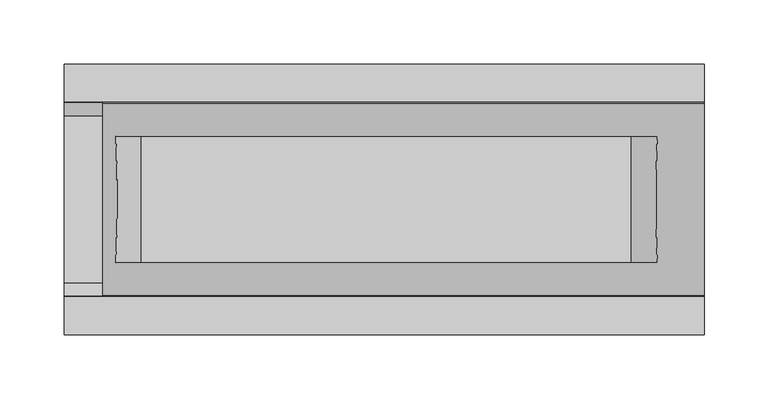
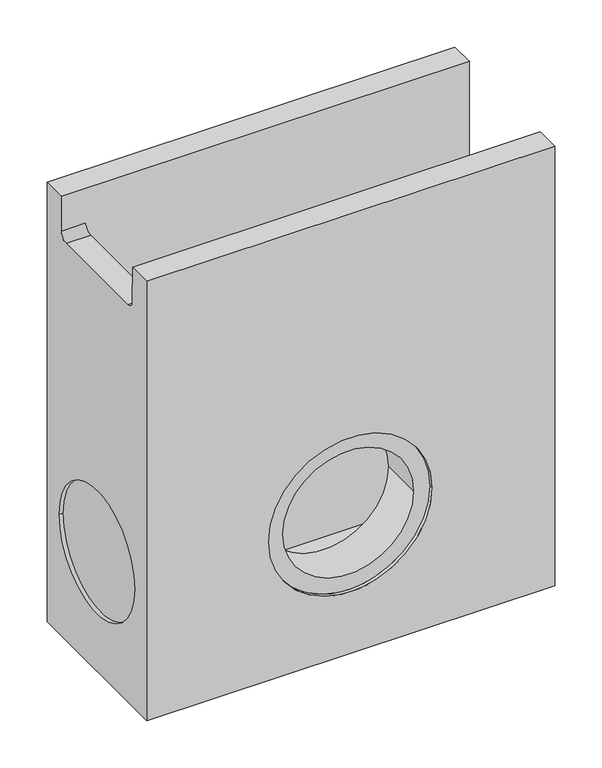
"""IFC4 building model written with IfcOpenShell, lengths in millimetres: proxy geometry."""

from ifc_helpers import new_model, si_unit, frame, origin, place, context, project, spatial, polyline, circle_curve, ellipse_curve, source, transform, mapped, element, save
from ifc_brep_helpers import plane_surface, revolved_surface, advanced_brep


def generic_models_bde0bd27(model_context):
    return source(origin(), model_context, "Body", "AdvancedBrep", [
        advanced_brep(
        [(500.0, 105.7105057, -570.0), (500.0, 105.7105057, 0.0), (500.0, 75.7105057, 0.0), (500.0, 75.0, -140.0), (500.0, -74.9961367, -140.7612365), (500.0, -75.7105057, 0.0), (500.0, -105.8125078, 0.0), (500.0, -105.8125078, -570.0), (0.0, 105.7105057, -570.0), (0.0, -105.8125078, -570.0), (0.0, -105.8125078, 0.0), (0.0, -75.7105057, 0.0), (0.0, -75.4816138, -45.1014982), (0.0, -65.4821289, -55.0), (0.0, 65.4821289, -55.0), (0.0, 75.4816138, -45.1014982), (0.0, 75.7105057, 0.0), (0.0, 105.7105057, 0.0), (0.0, -80.0, -415.0), (0.0, 80.0, -415.0), (349.5, -105.8125078, -390.0), (149.5, -105.8125078, -390.0), (5.0, -80.0, -415.0), (5.0, 80.0, -415.0), (443.0, 49.3918172, -532.9551842), (60.0, 49.3918172, -532.9551842), (60.0, -49.3918172, -532.9551842), (443.0, -49.3918172, -532.9551842), (463.6343305, 49.3918172, -196.4397767), (40.4329624, 49.3918172, -196.4397767), (40.4329624, -49.3918172, -196.4397767), (463.6343305, -49.3918172, -196.4397767), (169.5, -49.3918172, -390.0), (329.5, -49.3918172, -390.0), (169.5, -101.5351946, -390.0), (329.5, -101.5351946, -390.0), (149.5, -101.5351946, -390.0), (349.5, -101.5351946, -390.0), (30.0, 75.4816138, -45.1014982), (30.0, 75.0, -140.0), (30.0, -74.9961367, -140.7612365), (30.0, -75.4816138, -45.1014982), (30.0, -65.4821289, -55.0), (30.0, 65.4821289, -55.0)],
        [
            (0, 1),
            (1, 2),
            (2, 3),
            (3, 4, circle_curve(frame((500.0, 0.0, -140.0), z_axis=(-1.0, 0.0, 0.0), x_axis=(0.0, 1.0, 0.0)), 75.0)),
            (4, 5),
            (5, 6),
            (6, 7),
            (7, 0),
            (8, 9),
            (9, 10),
            (10, 11),
            (11, 12),
            (12, 13, circle_curve(frame((0.0, -65.4821289, -45.0), z_axis=(1.0, 0.0, 0.0), x_axis=(0.0, 1.0, 0.0)), 10.0)),
            (13, 14),
            (14, 15, circle_curve(frame((0.0, 65.4821289, -45.0), z_axis=(1.0, 0.0, 0.0), x_axis=(0.0, 1.0, 0.0)), 10.0)),
            (15, 16),
            (16, 17),
            (17, 8),
            (18, 19, circle_curve(frame((0.0, 0.0, -415.0), z_axis=(1.0, 0.0, 0.0), x_axis=(0.0, 1.0, 0.0)), 80.0)),
            (19, 18, circle_curve(frame((0.0, 0.0, -415.0), z_axis=(1.0, 0.0, 0.0), x_axis=(0.0, 1.0, 0.0)), 80.0)),
            (0, 8),
            (17, 1),
            (6, 10),
            (9, 7),
            (20, 21, circle_curve(frame((249.5, -105.8125078, -390.0), z_axis=(0.0, 1.0, 0.0), x_axis=(1.0, 0.0, 0.0)), 100.0)),
            (21, 20, circle_curve(frame((249.5, -105.8125078, -390.0), z_axis=(0.0, 1.0, 0.0), x_axis=(1.0, 0.0, 0.0)), 100.0)),
            (22, 23, circle_curve(frame((5.0, 0.0, -415.0), z_axis=(-1.0, 0.0, 0.0), x_axis=(0.0, 1.0, 0.0)), 80.0)),
            (23, 22, circle_curve(frame((5.0, 0.0, -415.0), z_axis=(-1.0, 0.0, 0.0), x_axis=(0.0, 1.0, 0.0)), 80.0)),
            (23, 19),
            (18, 22),
            (24, 25),
            (25, 26),
            (26, 27),
            (27, 24),
            (24, 28),
            (28, 29),
            (29, 25),
            (29, 30, ellipse_curve(frame((37.151213, 0.0, -140.0), z_axis=(-0.9983137936950895, 0.0, -0.058047991508046806), x_axis=(-0.058047991508044836, 0.0, 0.9983137936950897)), 75.1266791, 75.0)),
            (30, 26),
            (30, 31),
            (31, 27),
            (32, 33, circle_curve(frame((249.5, -49.3918172, -390.0), z_axis=(0.0, -1.0, 0.0), x_axis=(1.0, 0.0, 0.0)), 80.0)),
            (33, 32, circle_curve(frame((249.5, -49.3918172, -390.0), z_axis=(0.0, -1.0, 0.0), x_axis=(1.0, 0.0, 0.0)), 80.0)),
            (31, 28, ellipse_curve(frame((467.0950844, 0.0, -140.0), z_axis=(0.9981253581558883, 0.0, -0.061202691167788904), x_axis=(-0.061202691167787426, 0.0, -0.9981253581558883)), 75.1408622, 75.0)),
            (32, 34),
            (34, 35, circle_curve(frame((249.5, -101.5351946, -390.0), z_axis=(0.0, -1.0, 0.0), x_axis=(1.0, 0.0, 0.0)), 80.0)),
            (35, 33),
            (35, 34, circle_curve(frame((249.5, -101.5351946, -390.0), z_axis=(0.0, -1.0, 0.0), x_axis=(1.0, 0.0, 0.0)), 80.0)),
            (36, 37, circle_curve(frame((249.5, -101.5351946, -390.0), z_axis=(0.0, -1.0, 0.0), x_axis=(1.0, 0.0, 0.0)), 100.0)),
            (37, 36, circle_curve(frame((249.5, -101.5351946, -390.0), z_axis=(0.0, -1.0, 0.0), x_axis=(1.0, 0.0, 0.0)), 100.0)),
            (36, 21),
            (20, 37),
            (16, 2),
            (15, 38),
            (38, 39),
            (39, 3),
            (4, 40),
            (40, 41),
            (41, 12),
            (11, 5),
            (39, 40, circle_curve(frame((30.0, 0.0, -140.0), z_axis=(-1.0, 0.0, 0.0), x_axis=(0.0, 1.0, 0.0)), 75.0)),
            (42, 41, circle_curve(frame((30.0, -65.4821289, -45.0), z_axis=(-1.0, 0.0, 0.0), x_axis=(0.0, 1.0, 0.0)), 10.0)),
            (38, 43, circle_curve(frame((30.0, 65.4821289, -45.0), z_axis=(-1.0, 0.0, 0.0), x_axis=(0.0, 1.0, 0.0)), 10.0)),
            (43, 42),
            (42, 13),
            (14, 43),
        ],
        [
            plane_surface(frame((500.0, 105.7105057, -31.1821489), z_axis=(1.0, 0.0, 0.0), x_axis=(0.0, 0.0, 1.0))),
            plane_surface(frame((0.0, 105.7105057, -31.1821489), z_axis=(-1.0, 0.0, 0.0), x_axis=(0.0, 0.0, -1.0))),
            plane_surface(frame((500.0, 105.7105057, -570.0), z_axis=(0.0, 1.0, 0.0), x_axis=(-1.0, 0.0, 0.0))),
            plane_surface(frame((500.0, -105.8125078, 0.0), z_axis=(0.0, -1.0, 0.0), x_axis=(-1.0, 0.0, 0.0))),
            plane_surface(frame((5.0, 80.0, -415.0), z_axis=(-1.0, 0.0, 0.0), x_axis=(0.0, 0.0, 1.0))),
            revolved_surface(polyline([(5.0, 80.0, -415.0), (0.0, 80.0, -415.0)]), (0.0, 0.0, -415.0), (1.0, 0.0, 0.0)),
            plane_surface(frame((251.5, 0.0, -532.9551842), z_axis=(0.0, 0.0, 1.0), x_axis=(-1.0, 0.0, 0.0))),
            plane_surface(frame((252.25, 49.3918172, -60.0080827), z_axis=(0.0, -1.0, 0.0), x_axis=(1.0, 0.0, 0.0))),
            plane_surface(frame((32.5, 0.0, -60.0080827), z_axis=(0.9983137936950895, 0.0, 0.058047991508046806), x_axis=(0.0, 1.0, 0.0))),
            plane_surface(frame((252.25, -49.3918172, -60.0080827), z_axis=(0.0, 1.0, 0.0), x_axis=(-1.0, 0.0, 0.0))),
            plane_surface(frame((472.0, 0.0, -60.0080827), z_axis=(-0.9981253581558883, 0.0, 0.061202691167788904), x_axis=(0.0, -1.0, 0.0))),
            revolved_surface(polyline([(329.5, -101.5351946, -390.0), (329.5, -49.3918172, -390.0)]), (249.5, 0.0, -390.0), (0.0, -1.0, 0.0)),
            plane_surface(frame((349.5, -101.5351946, -390.0), z_axis=(0.0, -1.0, 0.0), x_axis=(0.0, 0.0, -1.0))),
            revolved_surface(polyline([(349.5, -105.8125078, -390.0), (349.5, -101.5351946, -390.0)]), (249.5, -101.5351946, -390.0), (0.0, -1.0, 0.0)),
            plane_surface(frame((500.0, 105.7105057, 0.0), z_axis=(0.0, 0.0, 1.0), x_axis=(-1.0, 0.0, 0.0))),
            plane_surface(frame((500.0, 75.7105057, 0.0), z_axis=(0.0, -0.9999871222288019, 0.005074975523034623), x_axis=(-1.0, 0.0, 0.0))),
            plane_surface(frame((500.0, -74.9961367, -140.7612365), z_axis=(0.0, 0.9999871222288018, 0.005074975523034367), x_axis=(-1.0, 0.0, 0.0))),
            plane_surface(frame((500.0, -75.7105057, 0.0), z_axis=(0.0, 0.0, 1.0), x_axis=(-1.0, 0.0, 0.0))),
            revolved_surface(polyline([(30.0, 75.0, -140.0), (500.0, 75.0, -140.0)]), (0.0, 0.0, -140.0), (-1.0, 0.0, 0.0)),
            plane_surface(frame((500.0, -105.8125078, -570.0), z_axis=(0.0, 0.0, -1.0), x_axis=(-1.0, 0.0, 0.0))),
            plane_surface(frame((30.0, -55.4821289, -45.0), z_axis=(1.0, 0.0, 0.0), x_axis=(0.0, 0.0, -1.0))),
            revolved_surface(polyline([(0.0, -55.482128900000006, -45.0), (30.0, -55.482128900000006, -45.0)]), (0.0, -65.4821289, -45.0), (-1.0, 0.0, 0.0)),
            revolved_surface(polyline([(0.0, 75.4821289, -45.0), (30.0, 75.4821289, -45.0)]), (0.0, 65.4821289, -45.0), (-1.0, 0.0, 0.0)),
            plane_surface(frame((30.0, 65.4821289, -55.0), z_axis=(0.0, 0.0, 1.0), x_axis=(-1.0, 0.0, 0.0))),
        ],
        [
            (0, [[1, 2, 3, 4, 5, 6, 7, 8]]),
            (1, [[9, 10, 11, 12, 13, 14, 15, 16, 17, 18], [19, 20]]),
            (2, [[-1, 21, -18, 22]]),
            (3, [[-7, 23, -10, 24], [25, 26]]),
            (4, [[27, 28]]),
            (5, [[-28, 29, -19, 30]]),
            (5, [[-27, -30, -20, -29]]),
            (6, [[31, 32, 33, 34]]),
            (7, [[-31, 35, 36, 37]]),
            (8, [[-32, -37, 38, 39]]),
            (9, [[-33, -39, 40, 41], [42, 43]]),
            (10, [[-34, -41, 44, -35]]),
            (11, [[-42, 45, 46, 47]]),
            (11, [[-43, -47, 48, -45]]),
            (12, [[49, 50], [-46, -48]]),
            (13, [[-49, 51, -25, 52]]),
            (13, [[-50, -52, -26, -51]]),
            (14, [[-2, -22, -17, 53]]),
            (15, [[-3, -53, -16, 54, 55, 56]]),
            (16, [[-5, 57, 58, 59, -12, 60]]),
            (17, [[-6, -60, -11, -23]]),
            (18, [[-4, -56, 61, -57], [-36, -44, -40, -38]]),
            (19, [[-8, -24, -9, -21]]),
            (20, [[62, -58, -61, -55, 63, 64]]),
            (21, [[-62, 65, -13, -59]]),
            (22, [[-63, -54, -15, 66]]),
            (23, [[-64, -66, -14, -65]]),
        ],
    ),
    ])


if __name__ == "__main__":
    model = new_model("IFC4")
    model_context = context("Model", 3, world=origin())
    ifc_project = project(units=[si_unit("LENGTHUNIT", "METRE", prefix="MILLI")], contexts=[model_context])
    site = spatial("IfcSite", under=ifc_project)
    building = spatial("IfcBuilding", under=site)
    placement = place(None, origin())
    generic_models_shape = generic_models_bde0bd27(model_context)
    element("IfcBuildingElementProxy", 1, Name="Generic Models", at=placement, inside=building, context=model_context, shape_type="MappedRepresentation", body=[
        mapped(generic_models_shape, transform((0.0, 0.0, 0.0), x_axis=(1.0, 0.0, 0.0), y_axis=(0.0, 1.0, 0.0), z_axis=(0.0, 0.0, 1.0))),
    ])
    save(model, "model.ifc")
